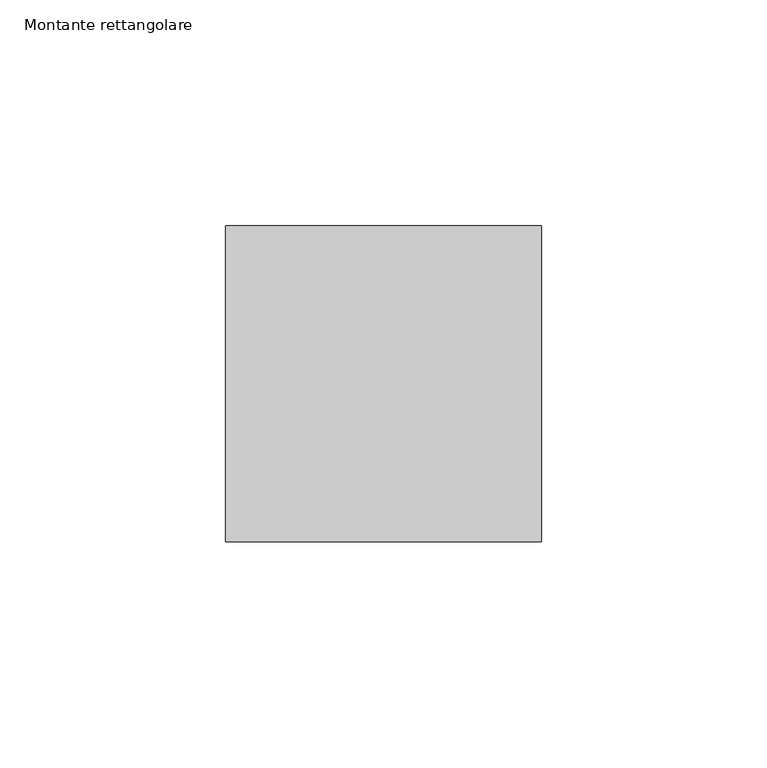
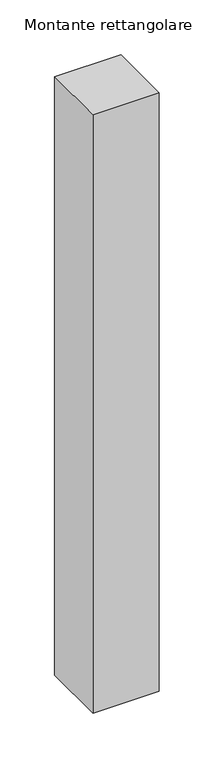
"""IFC4 building model written with IfcOpenShell, lengths in millimetres: member geometry, Montante rettangolare."""

import ifcopenshell
import ifcopenshell.guid

model = None  # the IFC model being written
_history = None  # IfcOwnerHistory: only IFC2X3 demands one
_inside = {}  # id of a spatial element -> (the spatial element, [elements in it])
_under = {}  # id of a project, library or spatial element -> (it, [spatial elements below it])
_declared = {}  # id of a project -> (the project, [libraries it declares])
_typed = {}  # id of a type object -> (the type object, [elements of that type])
_made_of = {}  # id of a material, layer set ... -> (it, [elements and type objects made of it])


def new_model(schema):
    """Start an empty IFC model of exactly this schema.

    Asked for "IFC4X3", IfcOpenShell would pick the latest addendum, in which some entities
    have other attributes; the version numbers below select the first issue.
    IFC2X3 requires an IfcOwnerHistory on every rooted entity: one is made here for all.
    """
    global model, _history
    if schema == "IFC4X3":
        model = ifcopenshell.file(schema_version=(4, 3, 0, 0))
    else:
        model = ifcopenshell.file(schema=schema)
    _inside.clear()
    _under.clear()
    _declared.clear()
    _typed.clear()
    _made_of.clear()
    _history = None
    if model.schema == "IFC2X3":
        org = make("IfcOrganization", Name="unknown")
        user = make(
            "IfcPersonAndOrganization",
            ThePerson=make("IfcPerson", FamilyName="unknown"),
            TheOrganization=org,
        )
        app = make(
            "IfcApplication",
            ApplicationDeveloper=org,
            Version="unknown",
            ApplicationFullName="unknown",
            ApplicationIdentifier="unknown",
        )
        _history = make(
            "IfcOwnerHistory",
            OwningUser=user,
            OwningApplication=app,
            ChangeAction="ADDED",
            CreationDate=0,
        )
    return model


def make(cls, **values):
    """One entity of the class cls with the attributes given. An attribute that is None is left unset."""
    return model.create_entity(
        cls, **{name: value for name, value in values.items() if value is not None}
    )


def rooted(cls, **values):
    """An entity with a GlobalId (a new one), such as an element, a storey or a relation."""
    return make(cls, GlobalId=ifcopenshell.guid.new(), OwnerHistory=_history, **values)


def si_unit(unit_type, name, prefix=None):
    """IfcSIUnit, for example si_unit("LENGTHUNIT", "METRE", prefix="MILLI")."""
    return make("IfcSIUnit", UnitType=unit_type, Prefix=prefix, Name=name)


def assignment(units):
    """IfcUnitAssignment: the units of a project."""
    return None if units is None else make("IfcUnitAssignment", Units=units)


def point(xyz):
    """IfcCartesianPoint."""
    return None if xyz is None else make("IfcCartesianPoint", Coordinates=xyz)


def direction(xyz):
    """IfcDirection."""
    return None if xyz is None else make("IfcDirection", DirectionRatios=xyz)


def frame(location, z_axis=None, x_axis=None):
    """IfcAxis2Placement3D, a coordinate frame: its origin and axes. An axis left out is left unset."""
    return make(
        "IfcAxis2Placement3D",
        Location=point(location),
        Axis=direction(z_axis),
        RefDirection=direction(x_axis),
    )


def origin():
    """The frame at (0, 0, 0) with its axes left unset."""
    return frame((0.0, 0.0, 0.0))


def place(relative_to, where):
    """IfcLocalPlacement: puts the frame where relative to a parent placement (None: the world)."""
    return make(
        "IfcLocalPlacement", PlacementRelTo=relative_to, RelativePlacement=where
    )


def context(
    kind, dimensions, precision=None, world=None, true_north=None, identifier=None
):
    """IfcGeometricRepresentationContext, for example the 3D "Model" context."""
    return make(
        "IfcGeometricRepresentationContext",
        ContextIdentifier=identifier,
        ContextType=kind,
        CoordinateSpaceDimension=dimensions,
        Precision=precision,
        WorldCoordinateSystem=world,
        TrueNorth=true_north,
    )


def project(units=None, contexts=None):
    """IfcProject with its units and contexts."""
    return rooted(
        "IfcProject",
        Name="project",
        RepresentationContexts=contexts,
        UnitsInContext=assignment(units),
    )


def spatial(cls, under=None, at=None, **own):
    """A site, building, storey or space (cls), placed at a placement, below another one or the project."""
    s = rooted(cls, ObjectPlacement=at, **own)
    if under is not None:
        _under.setdefault(under.id(), (under, []))[1].append(s)
    return s


def polyline(points):
    """IfcPolyline through the points."""
    return make("IfcPolyline", Points=[point(p) for p in points])


def outline(outer, holes=None, kind="AREA"):
    """IfcArbitraryClosedProfileDef: a profile drawn as a closed curve; with holes, ...WithVoids."""
    if holes is None:
        return make("IfcArbitraryClosedProfileDef", ProfileType=kind, OuterCurve=outer)
    return make(
        "IfcArbitraryProfileDefWithVoids",
        ProfileType=kind,
        OuterCurve=outer,
        InnerCurves=holes,
    )


def extrude(swept, where, along, depth):
    """IfcExtrudedAreaSolid: the profile swept, set in the frame where, extruded along a direction by depth."""
    return make(
        "IfcExtrudedAreaSolid",
        SweptArea=swept,
        Position=where,
        ExtrudedDirection=direction(along),
        Depth=depth,
    )


def shape(context_of_items, identifier, shape_type, items):
    """IfcShapeRepresentation: the items that make up one representation, for example the "Body"."""
    return make(
        "IfcShapeRepresentation",
        ContextOfItems=context_of_items,
        RepresentationIdentifier=identifier,
        RepresentationType=shape_type,
        Items=items,
    )


def source(mapping_origin, context_of_items, identifier, shape_type, items):
    """IfcRepresentationMap: a shape defined once, which mapped items show again and again."""
    return make(
        "IfcRepresentationMap",
        MappingOrigin=mapping_origin,
        MappedRepresentation=shape(context_of_items, identifier, shape_type, items),
    )


def transform(
    local_origin,
    x_axis=None,
    y_axis=None,
    z_axis=None,
    scale=None,
    scale2=None,
    scale3=None,
    uniform=True,
):
    """IfcCartesianTransformationOperator3D, or its non-uniform kind. x_axis, y_axis, z_axis: its Axis1, 2, 3."""
    if uniform:
        return make(
            "IfcCartesianTransformationOperator3D",
            Axis1=direction(x_axis),
            Axis2=direction(y_axis),
            LocalOrigin=point(local_origin),
            Scale=scale,
            Axis3=direction(z_axis),
        )
    return make(
        "IfcCartesianTransformationOperator3DnonUniform",
        Axis1=direction(x_axis),
        Axis2=direction(y_axis),
        LocalOrigin=point(local_origin),
        Scale=scale,
        Axis3=direction(z_axis),
        Scale2=scale2,
        Scale3=scale3,
    )


def mapped(mapping_source, mapping_target):
    """IfcMappedItem: shows the shape of a source again, moved by a transform."""
    return make(
        "IfcMappedItem", MappingSource=mapping_source, MappingTarget=mapping_target
    )


def made_of(thing, what):
    """Note that an element or type object is made of a material, layer set ...; save() writes the relation."""
    if what is not None:
        _made_of.setdefault(what.id(), (what, []))[1].append(thing)
    return thing


def element(
    cls,
    number,
    at=None,
    inside=None,
    cuts=None,
    type_object=None,
    material=None,
    context=None,
    identifier="Body",
    shape_type=None,
    held_by="IfcProductDefinitionShape",
    body=None,
    shapes=None,
    **own,
):
    """One element of the class cls, such as IfcWall. Its Tag is "e" and its number.

    at: its placement. inside: the storey or other place that contains it. cuts: it is an
    opening in that element (IfcRelVoidsElement). A single representation is given by context,
    identifier, shape_type and body (its items); several are given by shapes. held_by: the class
    of the entity that holds the representations. save() writes the other relations.
    """
    e = rooted(cls, Tag="e%d" % number, ObjectPlacement=at, **own)
    if body is not None:
        shapes = [shape(context, identifier, shape_type, body)]
    if shapes is not None:
        e.Representation = make(held_by, Representations=shapes)
    if inside is not None:
        _inside.setdefault(inside.id(), (inside, []))[1].append(e)
    if cuts is not None:
        rooted(
            "IfcRelVoidsElement", RelatingBuildingElement=cuts, RelatedOpeningElement=e
        )
    if type_object is not None:
        _typed.setdefault(type_object.id(), (type_object, []))[1].append(e)
    return made_of(e, material)


def aggregate(whole, parts):
    """IfcRelAggregates: a whole, such as a stair, and the parts it consists of."""
    return rooted("IfcRelAggregates", RelatingObject=whole, RelatedObjects=parts)


def save(model, path):
    """Write the relations noted so far, then the file.

    IfcRelAggregates (storeys below a building ...), IfcRelContainedInSpatialStructure (elements
    in a storey), IfcRelDefinesByType, IfcRelAssociatesMaterial and IfcRelDeclares: one each for
    every whole, place, type object, material and project.
    """
    for whole, parts in _under.values():
        aggregate(whole, parts)
    for where, things in _inside.values():
        rooted(
            "IfcRelContainedInSpatialStructure",
            RelatedElements=things,
            RelatingStructure=where,
        )
    for kind, things in _typed.values():
        rooted("IfcRelDefinesByType", RelatedObjects=things, RelatingType=kind)
    for what, things in _made_of.values():
        rooted("IfcRelAssociatesMaterial", RelatedObjects=things, RelatingMaterial=what)
    for by, libraries in _declared.values():
        rooted("IfcRelDeclares", RelatingContext=by, RelatedDefinitions=libraries)
    model.write(path)


def montante_rettangolare_326776f3(model_context):
    return source(origin(), model_context, "Body", "SweptSolid", [
        extrude(outline(polyline([(0.0, 35.0), (0.0, -35.0), (-70.0, -35.0), (-70.0, 35.0), (0.0, 35.0)])), frame((0.0, 0.0, -667.3166263), z_axis=(0.0, 0.0, 1.0), x_axis=(1.0, 0.0, 0.0)), (0.0, 0.0, 1.0), 667.3166263),
    ])


if __name__ == "__main__":
    model = new_model("IFC4")
    model_context = context("Model", 3, world=origin())
    ifc_project = project(units=[si_unit("LENGTHUNIT", "METRE", prefix="MILLI")], contexts=[model_context])
    site = spatial("IfcSite", under=ifc_project)
    building = spatial("IfcBuilding", under=site)
    placement = place(None, origin())
    montante_rettangolare_shape = montante_rettangolare_326776f3(model_context)
    element("IfcMember", 1, ObjectType="Montante rettangolare", at=placement, inside=building, context=model_context, shape_type="MappedRepresentation", body=[
        mapped(montante_rettangolare_shape, transform((0.0, 0.0, 0.0), x_axis=(1.0, 0.0, 0.0), y_axis=(0.0, 1.0, 0.0), z_axis=(0.0, 0.0, 1.0))),
    ])
    save(model, "model.ifc")
